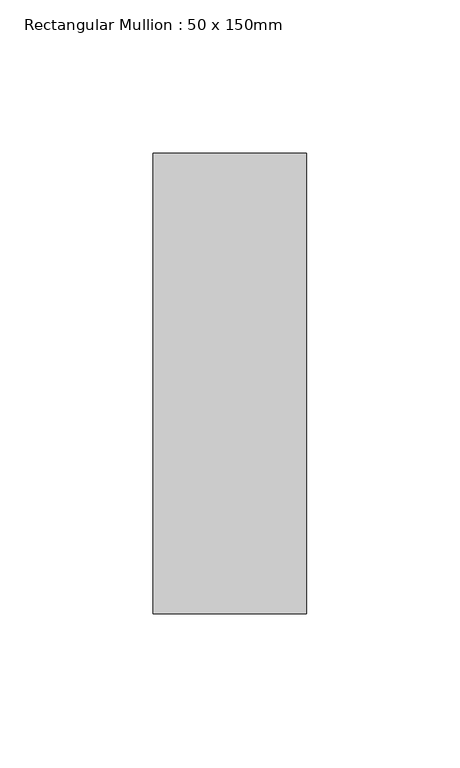
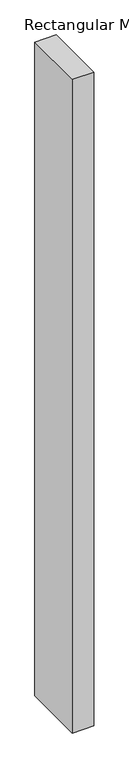
"""IFC4 building model written with IfcOpenShell, lengths in millimetres: member geometry, Rectangular Mullion : 50 x 150mm."""

from ifc_helpers import new_model, si_unit, frame, origin, place, context, project, spatial, polyline, outline, extrude, source, transform, mapped, element, save


def rectangular_mullion_50_x_150mm_178d6243(model_context):
    return source(origin(), model_context, "Body", "SweptSolid", [
        extrude(outline(polyline([(0.0, 75.0), (0.0, -75.0), (-50.0, -75.0), (-50.0, 75.0), (0.0, 75.0)])), frame((0.0, 0.0, -1602.8425369), z_axis=(0.0, 0.0, 1.0), x_axis=(1.0, 0.0, 0.0)), (0.0, 0.0, 1.0), 1602.8425369),
    ])


if __name__ == "__main__":
    model = new_model("IFC4")
    model_context = context("Model", 3, world=origin())
    ifc_project = project(units=[si_unit("LENGTHUNIT", "METRE", prefix="MILLI")], contexts=[model_context])
    site = spatial("IfcSite", under=ifc_project)
    building = spatial("IfcBuilding", under=site)
    placement = place(None, origin())
    rectangular_mullion_50_x_150mm_shape = rectangular_mullion_50_x_150mm_178d6243(model_context)
    element("IfcMember", 1, ObjectType="Rectangular Mullion : 50 x 150mm", at=placement, inside=building, context=model_context, shape_type="MappedRepresentation", body=[
        mapped(rectangular_mullion_50_x_150mm_shape, transform((0.0, 0.0, 0.0), x_axis=(1.0, 0.0, 0.0), y_axis=(0.0, 1.0, 0.0), z_axis=(0.0, 0.0, 1.0))),
    ])
    save(model, "model.ifc")
